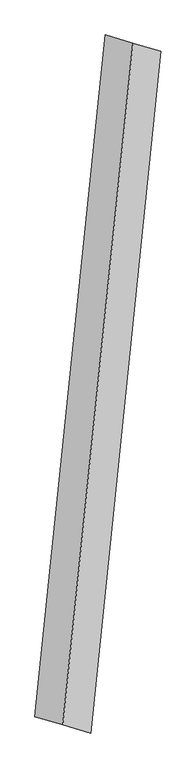
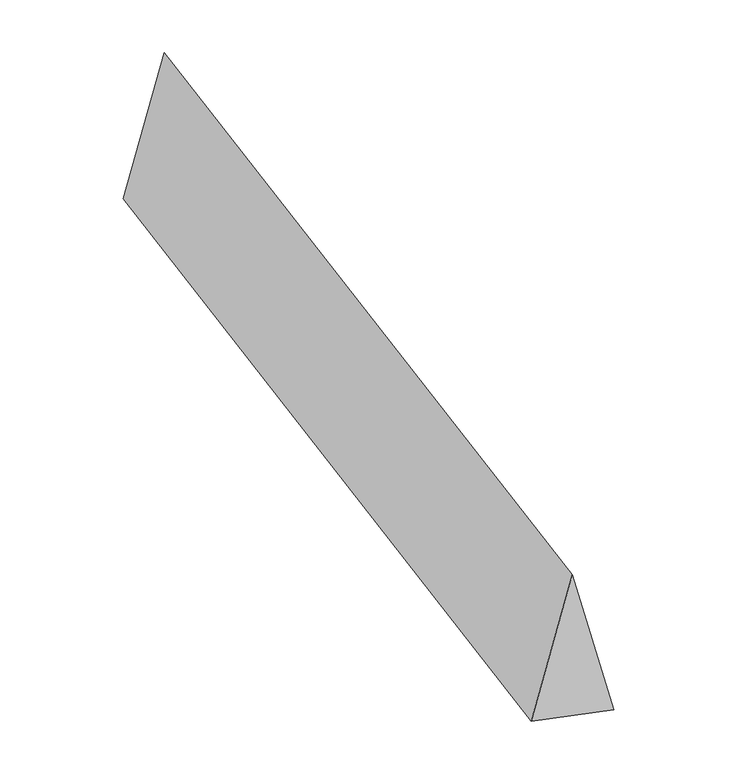
"""IFC4 building model written with IfcOpenShell, lengths in millimetres: proxy geometry."""

from ifc_helpers import new_model, si_unit, origin, place, context, project, spatial, faceted_brep, source, transform, mapped, element, save


def generic_models_52238f89(model_context):
    return source(origin(), model_context, "Body", "Brep", [
        faceted_brep([(-208.1133527, -2023.9111207, 700.0), (-42.4562927, -2072.8237902, 0.0), (373.7704126, 1974.9984512, 0.0), (208.1133527, 2023.9111207, 700.0), (-373.7704126, -1974.9984512, 0.0), (42.4562927, 2072.8237902, 0.0)], [[[0, 1, 2, 3]], [[1, 4, 5, 2]], [[4, 0, 3, 5]], [[3, 2, 5]], [[0, 4, 1]]]),
    ])


if __name__ == "__main__":
    model = new_model("IFC4")
    model_context = context("Model", 3, world=origin())
    ifc_project = project(units=[si_unit("LENGTHUNIT", "METRE", prefix="MILLI")], contexts=[model_context])
    site = spatial("IfcSite", under=ifc_project)
    building = spatial("IfcBuilding", under=site)
    placement = place(None, origin())
    generic_models_shape = generic_models_52238f89(model_context)
    element("IfcBuildingElementProxy", 1, Name="Generic Models", at=placement, inside=building, context=model_context, shape_type="MappedRepresentation", body=[
        mapped(generic_models_shape, transform((0.0, 0.0, 0.0), x_axis=(1.0, 0.0, 0.0), y_axis=(0.0, 1.0, 0.0), z_axis=(0.0, 0.0, 1.0))),
    ])
    save(model, "model.ifc")
